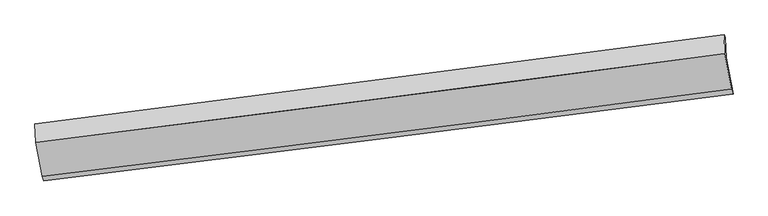
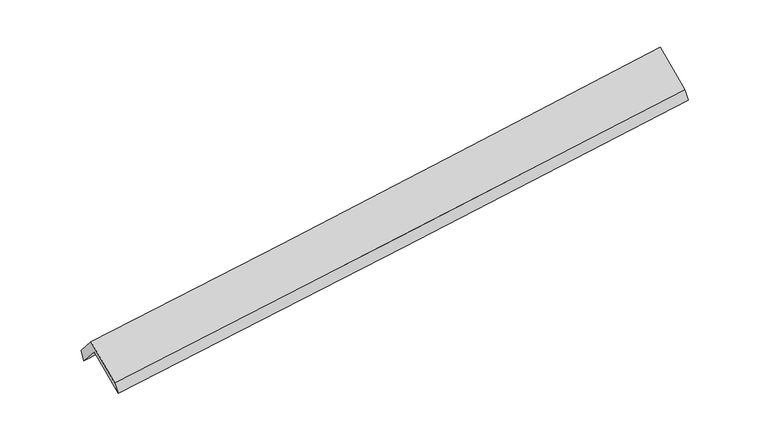
"""IFC4 building model written with IfcOpenShell, lengths in millimetres: proxy geometry."""

from ifc_helpers import new_model, si_unit, frame, origin, place, context, project, spatial, source, transform, mapped, element, save
from ifc_brep_helpers import plane_surface, spline_curve, spline_surface, advanced_brep


def generic_models_b234f53c(model_context):
    return source(origin(), model_context, "Body", "AdvancedBrep", [
        advanced_brep(
        [(-4751.4089305, -2209.3420586, 1767.0533946), (-4761.193757, -1947.130111, 1466.0654607), (4688.2759539, -719.043283, 2202.2129625), (4698.5508731, -994.3886431, 2518.2764821), (-4777.7543531, -1908.6559156, 1616.11515), (4671.7153578, -680.5690875, 2352.2626518), (-4768.5037512, -2156.5518139, 1900.6699727), (4681.4560524, -941.5983984, 2651.8930603), (-4677.060688, -2625.3725056, 1489.2742747), (4776.5255201, -1429.011353, 2224.1824319), (-4658.1115349, -2687.6697527, 1347.3151897), (4795.4746732, -1491.3086001, 2082.2233468)],
        [
            (0, 1),
            (1, 2, spline_curve(3, [(-4761.193757, -1947.130111, 1466.0654607), (-3186.328838728, -1743.899921304, 1578.65269689), (-1611.941341563, -1540.0097996, 1696.249715253), (1537.883111907, -1130.64920495, 1941.619447764), (3113.318852045, -925.177051025, 2069.404930893), (4688.2759539, -719.043283, 2202.2129625)], [4, 2, 4], [0.0, 15.668099150734994, 31.356150917585556])),
            (2, 3),
            (3, 0, spline_curve(3, [(4698.5508731, -994.3886431, 2518.2764821), (3123.675609535, -1202.715495652, 2387.985848362), (1548.239869298, -1408.187649577, 2260.200365856), (-1601.748156669, -1813.164864415, 2009.799038277), (-3176.299017473, -2012.677182139, 1887.1768251), (-4751.4089305, -2209.3420586, 1767.0533946)], [4, 2, 4], [0.0, 15.688051766850561, 31.356150917585556])),
            (1, 4),
            (4, 5, spline_curve(3, [(-4777.7543531, -1908.6559156, 1616.11515), (-3202.889434677, -1705.425725975, 1728.702386287), (-1628.501937627, -1501.535604057, 1846.299404081), (1521.322515571, -1092.175009494, 2091.669137537), (3096.758255849, -886.702855514, 2219.45461982), (4671.7153578, -680.5690875, 2352.2626518)], [4, 2, 4], [0.0, 15.668155274289537, 31.356263236165454])),
            (5, 2),
            (4, 6),
            (6, 7, spline_curve(3, [(-4768.5037512, -2156.5518139, 1900.6699727), (-3193.393838173, -1959.886937439, 2020.7934032), (-1618.842977369, -1760.374619615, 2143.415616377), (1531.145048598, -1355.397404777, 2393.816943956), (3106.580788835, -1149.925250952, 2521.602426562), (4681.4560524, -941.5983984, 2651.8930603)], [4, 2, 4], [0.0, 15.668099150734996, 31.35615091758556])),
            (7, 5),
            (6, 8),
            (8, 9, spline_curve(3, [(-4677.060688, -2625.3725056, 1489.2742747), (-3101.587597135, -2430.569613015, 1607.763792237), (-1526.553215225, -2233.536263758, 1728.21068171), (1624.643305447, -1834.75489699, 1973.175078584), (3200.804326722, -1633.00119589, 2097.697575404), (4776.5255201, -1429.011353, 2224.1824319)], [4, 2, 4], [0.0, 15.66801458976148, 31.35598168795395])),
            (9, 7),
            (8, 10),
            (10, 11, spline_curve(3, [(-4658.1115349, -2687.6697527, 1347.3151897), (-3082.638444035, -2492.866860115, 1465.804707237), (-1507.604062125, -2295.833510858, 1586.25159671), (1643.592458547, -1897.05214409, 1831.215993584), (3219.753479822, -1695.29844299, 1955.738490304), (4795.4746732, -1491.3086001, 2082.2233468)], [4, 2, 4], [0.0, 15.66801458976148, 31.35598168795395])),
            (11, 9),
            (10, 0),
            (3, 11),
        ],
        [
            spline_surface(3, 3, [[(-4751.4089305, -2209.3420586, 1767.0533946), (-3176.299017681, -2012.677182351, 1887.176825047), (-1601.748156666, -1813.164864517, 2009.79903826), (1548.239869295, -1408.187649475, 2260.200365873), (3123.67560948, -1202.715495481, 2387.985848482), (4698.5508731, -994.3886431, 2518.2764821)], [(-4754.670539305, -2121.938076071, 1666.724083299), (-3179.642291277, -1923.08476202, 1784.335449065), (-1605.145885006, -1722.11317613, 1905.282597196), (1544.787616864, -1315.67483472, 2154.006726609), (3120.223357049, -1110.202680726, 2281.792209217), (4695.125900062, -902.606856402, 2412.921975555)], [(-4757.932148195, -2034.534093529, 1566.394772001), (-3182.985564959, -1833.492341676, 1681.494073086), (-1608.543613332, -1631.061487736, 1800.766156067), (1541.335364448, -1223.162019958, 2047.813087279), (3116.771104533, -1017.689865964, 2175.598569987), (4691.700926938, -810.825069698, 2307.567469045)], [(-4761.193757, -1947.130111, 1466.0654607), (-3186.328838555, -1743.899921345, 1578.652697104), (-1611.941341673, -1540.009799349, 1696.249715003), (1537.883112017, -1130.649205202, 1941.619448014), (3113.318852102, -925.177051209, 2069.404930723), (4688.2759539, -719.043283, 2202.2129625)]], [4, 4], [4, 2, 4], [0.0, 1.3756938796451939], [0.0, 15.668099150734994, 31.356150917585556]),
            spline_surface(3, 3, [[(-4761.193757, -1947.130111, 1466.0654607), (-3186.328838555, -1743.899921345, 1578.652697104), (-1611.941341673, -1540.009799349, 1696.249715003), (1537.883112017, -1130.649205202, 1941.619448014), (3113.318852102, -925.177051209, 2069.404930723), (4688.2759539, -719.043283, 2202.2129625)], [(-4766.713955711, -1934.305379182, 1516.082023809), (-3191.849037266, -1731.075189527, 1628.669260213), (-1617.461540384, -1527.185067531, 1746.266278112), (1532.362913306, -1117.824473384, 1991.636011123), (3107.798653392, -912.352319391, 2119.421493832), (4682.755755189, -706.218551182, 2252.229525609)], [(-4772.234154389, -1921.480647418, 1566.098586891), (-3197.369235944, -1718.250457763, 1678.685823295), (-1622.981739162, -1514.360335667, 1796.282841195), (1526.842714528, -1104.99974152, 2041.652574206), (3102.278454713, -899.527587526, 2169.438056914), (4677.235556511, -693.393819318, 2302.246088691)], [(-4777.7543531, -1908.6559156, 1616.11515), (-3202.889434655, -1705.425725945, 1728.702386404), (-1628.501937873, -1501.535603849, 1846.299404303), (1521.322515817, -1092.175009702, 2091.669137314), (3096.758256002, -886.702855709, 2219.454620023), (4671.7153578, -680.5690875, 2352.2626518)]], [4, 4], [4, 2, 4], [0.0, 0.5111104879067272], [0.0, 15.668155274289537, 31.356263236165454]),
            spline_surface(3, 3, [[(-4777.7543531, -1908.6559156, 1616.11515), (-3202.889434655, -1705.425725945, 1728.702386404), (-1628.501937873, -1501.535603849, 1846.299404303), (1521.322515817, -1092.175009702, 2091.669137314), (3096.758256002, -886.702855709, 2219.454620023), (4671.7153578, -680.5690875, 2352.2626518)], [(-4774.670819142, -1991.287881703, 1710.966757567), (-3199.724235906, -1790.246129851, 1826.066058652), (-1625.282284379, -1587.81527581, 1945.338141632), (1524.596693401, -1179.915808032, 2192.385072844), (3100.032433587, -974.443654038, 2320.170555553), (4674.962255992, -767.578857772, 2452.13945461)], [(-4771.587285158, -2073.919847797, 1805.818365133), (-3196.55903713, -1875.066533746, 1923.429730899), (-1622.06263086, -1674.094947756, 2044.376879031), (1527.870871011, -1267.656606345, 2293.101008444), (3103.306611196, -1062.184452452, 2420.886491152), (4678.209154208, -854.588628128, 2552.01625749)], [(-4768.5037512, -2156.5518139, 1900.6699727), (-3193.393838381, -1959.886937651, 2020.793403147), (-1618.842977366, -1760.374619717, 2143.41561636), (1531.145048595, -1355.397404675, 2393.816943973), (3106.58078878, -1149.925250781, 2521.602426682), (4681.4560524, -941.5983984, 2651.8930603)]], [4, 4], [4, 2, 4], [0.0, 1.3041684241135392], [0.0, 15.668099150734996, 31.35615091758556]),
            plane_surface(frame((-4722.7822196, -2390.9621598, 1694.9721237), z_axis=(0.02450463504292643, -0.6566706252909366, 0.7537792864900332), x_axis=(0.1450561798604749, -0.7436905132986567, -0.6525972150675072))),
            spline_surface(3, 3, [[(-4677.060688, -2625.3725056, 1489.2742747), (-3101.587596887, -2430.569613115, 1607.763792388), (-1526.553215271, -2233.536263626, 1728.210681501), (1624.643305492, -1834.754897123, 1973.175078792), (3200.804326579, -1633.001195796, 2097.697575452), (4776.5255201, -1429.011353, 2224.1824319)], [(-4670.744303629, -2646.138254633, 1441.954579679), (-3095.271212516, -2451.335362147, 1560.444097367), (-1520.2368309, -2254.302012658, 1680.89098648), (1630.959689864, -1855.520646155, 1925.855383772), (3207.12071095, -1653.766944829, 2050.377880431), (4782.841904471, -1449.777102033, 2176.862736879)], [(-4664.427919271, -2666.904003667, 1394.634884721), (-3088.954828159, -2472.101111182, 1513.124402408), (-1513.920446543, -2275.067761693, 1633.571291522), (1637.276074221, -1876.28639519, 1878.535688813), (3213.437095307, -1674.532693864, 2003.058185372), (4789.158288829, -1470.542851067, 2129.543041821)], [(-4658.1115349, -2687.6697527, 1347.3151897), (-3082.638443787, -2492.866860215, 1465.804707388), (-1507.604062171, -2295.833510726, 1586.251596501), (1643.592458592, -1897.052144223, 1831.215993792), (3219.753479679, -1695.298442896, 1955.738490352), (4795.4746732, -1491.3086001, 2082.2233468)]], [4, 4], [4, 2, 4], [0.0, 0.5124037472283486], [0.0, 15.66801458976148, 31.35598168795395]),
            plane_surface(frame((-4704.7602327, -2448.5059057, 1557.1842922), z_axis=(-0.024504635042924217, 0.6566706252909251, -0.7537792864900434), x_axis=(-0.14505617986047514, 0.7436905132986668, 0.6525972150674957))),
            plane_surface(frame((4718.6664051, -1042.6532275, 2338.5084892), z_axis=(0.9891199257651712, 0.12533200034147168, 0.07703026771800663), x_axis=(0.12132842089989952, -0.39887938902301934, -0.9089414982794876))),
            plane_surface(frame((-4732.3388358, -2255.7870262, 1597.7489071), z_axis=(-0.9891199257651716, -0.12533200034145897, -0.07703026771802264), x_axis=(0.14505617986047603, -0.7436905132986654, -0.652597215067497))),
        ],
        [
            (0, [[1, 2, 3, 4]]),
            (1, [[5, 6, 7, -2]]),
            (2, [[8, 9, 10, -6]]),
            (3, [[11, 12, 13, -9]]),
            (4, [[14, 15, 16, -12]]),
            (5, [[17, -4, 18, -15]]),
            (6, [[-16, -18, -3, -7, -10, -13]]),
            (7, [[-17, -14, -11, -8, -5, -1]]),
        ],
    ),
    ])


if __name__ == "__main__":
    model = new_model("IFC4")
    model_context = context("Model", 3, world=origin())
    ifc_project = project(units=[si_unit("LENGTHUNIT", "METRE", prefix="MILLI")], contexts=[model_context])
    site = spatial("IfcSite", under=ifc_project)
    building = spatial("IfcBuilding", under=site)
    placement = place(None, origin())
    generic_models_shape = generic_models_b234f53c(model_context)
    element("IfcBuildingElementProxy", 1, Name="Generic Models", at=placement, inside=building, context=model_context, shape_type="MappedRepresentation", body=[
        mapped(generic_models_shape, transform((0.0, 0.0, 0.0), x_axis=(1.0, 0.0, 0.0), y_axis=(0.0, 1.0, 0.0), z_axis=(0.0, 0.0, 1.0))),
    ])
    save(model, "model.ifc")
